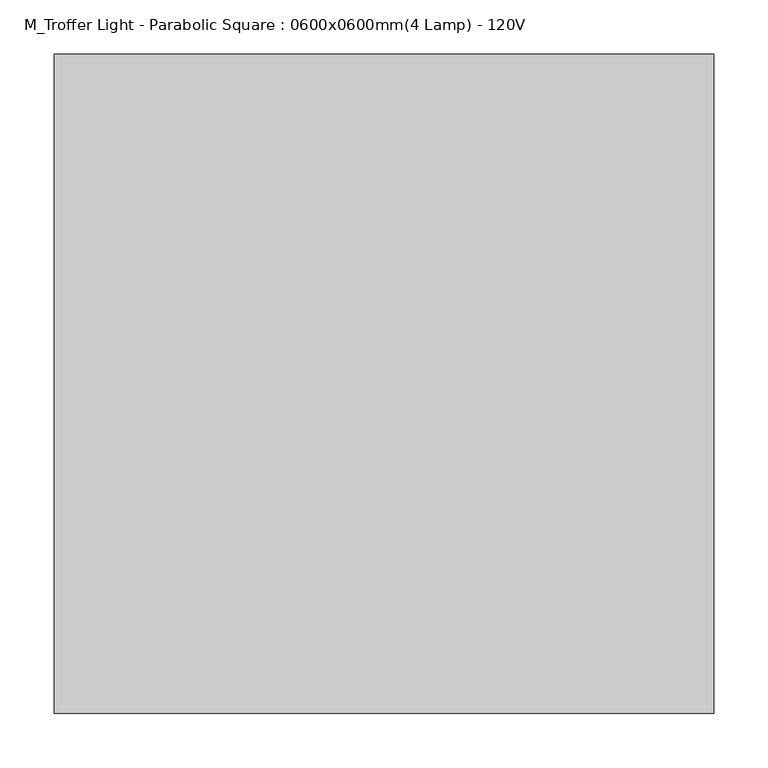
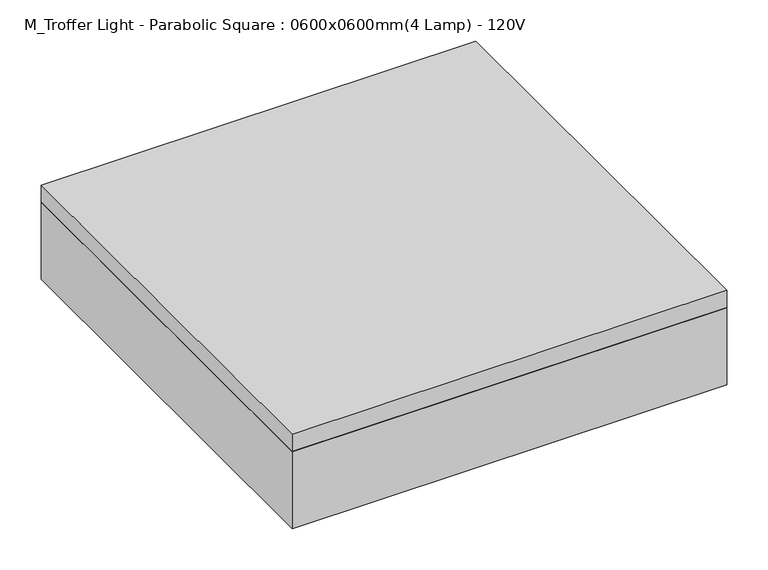
"""IFC4 building model written with IfcOpenShell, lengths in millimetres: light fixture geometry, M_Troffer Light - Parabolic Square : 0600x0600mm(4 Lamp) - 120V."""

from ifc_helpers import new_model, si_unit, frame, origin, place, context, project, spatial, polyline, outline, extrude, source, transform, mapped, element, save


def m_troffer_light_parabolic_square_0600x0600mm_4_lamp_120v_42650cf3(model_context):
    return source(origin(), model_context, "Body", "SweptSolid", [
        extrude(outline(polyline([(260.6964984, 219.9340679), (260.6964984, -338.8659321), (-298.1035016, -338.8659321), (-298.1035016, 219.9340679), (260.6964984, 219.9340679)]), holes=[polyline([(-113.9535016, 35.7840679), (-113.9535016, 213.5840679), (-291.7535016, 213.5840679), (-291.7535016, 35.7840679), (-113.9535016, 35.7840679)]), polyline([(-113.9535016, -148.3659321), (-113.9535016, 29.4340679), (-291.7535016, 29.4340679), (-291.7535016, -148.3659321), (-113.9535016, -148.3659321)]), polyline([(-113.9535016, -154.7159321), (-291.7535016, -154.7159321), (-291.7535016, -332.5159321), (-113.9535016, -332.5159321), (-113.9535016, -154.7159321)]), polyline([(70.1964984, 35.7840679), (70.1964984, 213.5840679), (-107.6035016, 213.5840679), (-107.6035016, 35.7840679), (70.1964984, 35.7840679)]), polyline([(70.1964984, -148.3659321), (70.1964984, 29.4340679), (-107.6035016, 29.4340679), (-107.6035016, -148.3659321), (70.1964984, -148.3659321)]), polyline([(70.1964984, -154.7159321), (-107.6035016, -154.7159321), (-107.6035016, -332.5159321), (70.1964984, -332.5159321), (70.1964984, -154.7159321)]), polyline([(254.3464984, 35.7840679), (254.3464984, 213.5840679), (76.5464984, 213.5840679), (76.5464984, 35.7840679), (254.3464984, 35.7840679)]), polyline([(254.3464984, -148.3659321), (254.3464984, 29.4340679), (76.5464984, 29.4340679), (76.5464984, -148.3659321), (254.3464984, -148.3659321)]), polyline([(254.3464984, -154.7159321), (76.5464984, -154.7159321), (76.5464984, -332.5159321), (254.3464984, -332.5159321), (254.3464984, -154.7159321)])]), frame((0.0, 0.0, 2438.4), z_axis=(0.0, 0.0, 1.0), x_axis=(1.0, 0.0, 0.0)), (0.0, 0.0, 1.0), 3.175),
        extrude(outline(polyline([(260.6964984, 219.9340679), (260.6964984, -338.8659321), (-298.1035016, -338.8659321), (-298.1035016, 219.9340679), (260.6964984, 219.9340679)])), frame((0.0, 0.0, 2514.6), z_axis=(0.0, 0.0, 1.0), x_axis=(1.0, 0.0, 0.0)), (0.0, 0.0, 1.0), 6.35),
        extrude(outline(polyline([(260.6964984, 219.9340679), (260.6964984, -338.8659321), (-298.1035016, -338.8659321), (-298.1035016, 219.9340679), (260.6964984, 219.9340679)]), holes=[polyline([(-113.9535016, 35.7840679), (-113.9535016, 213.5840679), (-291.7535016, 213.5840679), (-291.7535016, 35.7840679), (-113.9535016, 35.7840679)]), polyline([(-113.9535016, -148.3659321), (-113.9535016, 29.4340679), (-291.7535016, 29.4340679), (-291.7535016, -148.3659321), (-113.9535016, -148.3659321)]), polyline([(-113.9535016, -154.7159321), (-291.7535016, -154.7159321), (-291.7535016, -332.5159321), (-113.9535016, -332.5159321), (-113.9535016, -154.7159321)]), polyline([(70.1964984, 35.7840679), (70.1964984, 213.5840679), (-107.6035016, 213.5840679), (-107.6035016, 35.7840679), (70.1964984, 35.7840679)]), polyline([(70.1964984, -148.3659321), (70.1964984, 29.4340679), (-107.6035016, 29.4340679), (-107.6035016, -148.3659321), (70.1964984, -148.3659321)]), polyline([(70.1964984, -154.7159321), (-107.6035016, -154.7159321), (-107.6035016, -332.5159321), (70.1964984, -332.5159321), (70.1964984, -154.7159321)]), polyline([(254.3464984, 35.7840679), (254.3464984, 213.5840679), (76.5464984, 213.5840679), (76.5464984, 35.7840679), (254.3464984, 35.7840679)]), polyline([(254.3464984, -148.3659321), (254.3464984, 29.4340679), (76.5464984, 29.4340679), (76.5464984, -148.3659321), (254.3464984, -148.3659321)]), polyline([(254.3464984, -154.7159321), (76.5464984, -154.7159321), (76.5464984, -332.5159321), (254.3464984, -332.5159321), (254.3464984, -154.7159321)])]), frame((0.0, 0.0, 2441.575), z_axis=(0.0, 0.0, 1.0), x_axis=(1.0, 0.0, 0.0)), (0.0, 0.0, 1.0), 47.625),
        extrude(outline(polyline([(286.0964984, 245.3340679), (286.0964984, -364.2659321), (-323.5035016, -364.2659321), (-323.5035016, 245.3340679), (286.0964984, 245.3340679)]), holes=[polyline([(260.6964984, 219.9340679), (-298.1035016, 219.9340679), (-298.1035016, -338.8659321), (260.6964984, -338.8659321), (260.6964984, 219.9340679)])]), frame((0.0, 0.0, 2438.4), z_axis=(0.0, 0.0, 1.0), x_axis=(1.0, 0.0, 0.0)), (0.0, 0.0, 1.0), 114.3),
        extrude(outline(polyline([(286.0964984, 245.3340679), (286.0964984, -364.2659321), (-323.5035016, -364.2659321), (-323.5035016, 245.3340679), (286.0964984, 245.3340679)])), frame((0.0, 0.0, 2552.7), z_axis=(0.0, 0.0, 1.0), x_axis=(1.0, 0.0, 0.0)), (0.0, 0.0, 1.0), 25.4),
    ])


if __name__ == "__main__":
    model = new_model("IFC4")
    model_context = context("Model", 3, world=origin())
    ifc_project = project(units=[si_unit("LENGTHUNIT", "METRE", prefix="MILLI")], contexts=[model_context])
    site = spatial("IfcSite", under=ifc_project)
    building = spatial("IfcBuilding", under=site)
    placement = place(None, origin())
    m_troffer_light_parabolic_square_0600x0600mm_4_lamp_120v_shape = m_troffer_light_parabolic_square_0600x0600mm_4_lamp_120v_42650cf3(model_context)
    element("IfcLightFixture", 1, ObjectType="M_Troffer Light - Parabolic Square : 0600x0600mm(4 Lamp) - 120V", at=placement, inside=building, context=model_context, shape_type="MappedRepresentation", body=[
        mapped(m_troffer_light_parabolic_square_0600x0600mm_4_lamp_120v_shape, transform((0.0, 0.0, 0.0), x_axis=(1.0, 0.0, 0.0), y_axis=(0.0, 1.0, 0.0), z_axis=(0.0, 0.0, 1.0))),
    ])
    save(model, "model.ifc")
